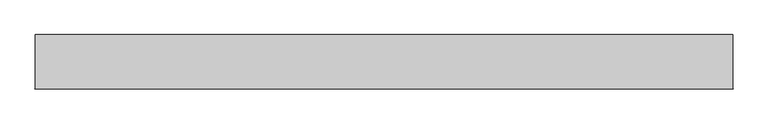
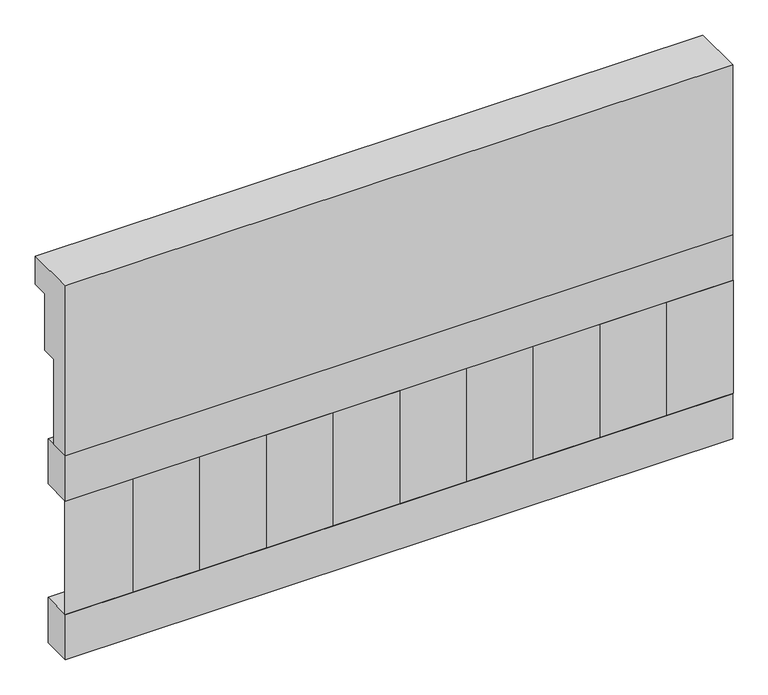
"""IFC4 building model written with IfcOpenShell, lengths in millimetres: railing geometry."""

from ifc_helpers import new_model, si_unit, frame, origin, place, context, project, spatial, polyline, outline, extrude, source, transform, mapped, element, save


def railing_3c50cecf(model_context):
    return source(origin(), model_context, "Body", "SweptSolid", [
        extrude(outline(polyline([(903.1079487, 28400.0), (1033.1079487, 28400.0), (1033.1079487, 28325.0), (993.1079487, 28325.0), (993.1079487, 28175.0), (953.1079487, 28175.0), (953.1079487, 27950.0), (903.1079487, 27950.0), (903.1079487, 28400.0)])), frame((22660.0112841, 0.0, 0.0), z_axis=(1.0, 0.0, 0.0), x_axis=(0.0, 1.0, 0.0)), (0.0, 0.0, 1.0), 1670.0),
        extrude(outline(polyline([(24330.0112841, 978.1079487), (24330.0112841, 903.1079487), (22660.0112841, 903.1079487), (22660.0112841, 978.1079487), (24330.0112841, 978.1079487)])), frame((0.0, 0.0, 27830.0), z_axis=(0.0, 0.0, 1.0), x_axis=(1.0, 0.0, 0.0)), (0.0, 0.0, 1.0), 120.0),
        extrude(outline(polyline([(24330.0112841, 978.1079487), (24330.0112841, 903.1079487), (22660.0112841, 903.1079487), (22660.0112841, 978.1079487), (24330.0112841, 978.1079487)])), frame((0.0, 0.0, 27410.0), z_axis=(0.0, 0.0, 1.0), x_axis=(1.0, 0.0, 0.0)), (0.0, 0.0, 1.0), 120.0),
        extrude(outline(polyline([(22743.5112841, 987.9607624), (22828.3640978, 903.1079487), (22658.6584704, 903.1079487), (22743.5112841, 987.9607624)])), frame((0.0, 0.0, 27530.0), z_axis=(0.0, 0.0, 1.0), x_axis=(1.0, 0.0, 0.0)), (0.0, 0.0, 1.0), 300.0),
        extrude(outline(polyline([(22910.5112841, 987.9607624), (22995.3640978, 903.1079487), (22825.6584704, 903.1079487), (22910.5112841, 987.9607624)])), frame((0.0, 0.0, 27530.0), z_axis=(0.0, 0.0, 1.0), x_axis=(1.0, 0.0, 0.0)), (0.0, 0.0, 1.0), 300.0),
        extrude(outline(polyline([(23077.5112841, 987.9607624), (23162.3640978, 903.1079487), (22992.6584704, 903.1079487), (23077.5112841, 987.9607624)])), frame((0.0, 0.0, 27530.0), z_axis=(0.0, 0.0, 1.0), x_axis=(1.0, 0.0, 0.0)), (0.0, 0.0, 1.0), 300.0),
        extrude(outline(polyline([(23244.5112841, 987.9607624), (23329.3640978, 903.1079487), (23159.6584704, 903.1079487), (23244.5112841, 987.9607624)])), frame((0.0, 0.0, 27530.0), z_axis=(0.0, 0.0, 1.0), x_axis=(1.0, 0.0, 0.0)), (0.0, 0.0, 1.0), 300.0),
        extrude(outline(polyline([(23411.5112841, 987.9607624), (23496.3640978, 903.1079487), (23326.6584704, 903.1079487), (23411.5112841, 987.9607624)])), frame((0.0, 0.0, 27530.0), z_axis=(0.0, 0.0, 1.0), x_axis=(1.0, 0.0, 0.0)), (0.0, 0.0, 1.0), 300.0),
        extrude(outline(polyline([(23578.5112841, 987.9607624), (23663.3640978, 903.1079487), (23493.6584704, 903.1079487), (23578.5112841, 987.9607624)])), frame((0.0, 0.0, 27530.0), z_axis=(0.0, 0.0, 1.0), x_axis=(1.0, 0.0, 0.0)), (0.0, 0.0, 1.0), 300.0),
        extrude(outline(polyline([(23745.5112841, 987.9607624), (23830.3640978, 903.1079487), (23660.6584704, 903.1079487), (23745.5112841, 987.9607624)])), frame((0.0, 0.0, 27530.0), z_axis=(0.0, 0.0, 1.0), x_axis=(1.0, 0.0, 0.0)), (0.0, 0.0, 1.0), 300.0),
        extrude(outline(polyline([(23912.5112841, 987.9607624), (23997.3640978, 903.1079487), (23827.6584704, 903.1079487), (23912.5112841, 987.9607624)])), frame((0.0, 0.0, 27530.0), z_axis=(0.0, 0.0, 1.0), x_axis=(1.0, 0.0, 0.0)), (0.0, 0.0, 1.0), 300.0),
        extrude(outline(polyline([(24079.5112841, 987.9607624), (24164.3640978, 903.1079487), (23994.6584704, 903.1079487), (24079.5112841, 987.9607624)])), frame((0.0, 0.0, 27530.0), z_axis=(0.0, 0.0, 1.0), x_axis=(1.0, 0.0, 0.0)), (0.0, 0.0, 1.0), 300.0),
        extrude(outline(polyline([(24246.5112841, 987.9607624), (24331.3640978, 903.1079487), (24161.6584704, 903.1079487), (24246.5112841, 987.9607624)])), frame((0.0, 0.0, 27530.0), z_axis=(0.0, 0.0, 1.0), x_axis=(1.0, 0.0, 0.0)), (0.0, 0.0, 1.0), 300.0),
    ])


if __name__ == "__main__":
    model = new_model("IFC4")
    model_context = context("Model", 3, world=origin())
    ifc_project = project(units=[si_unit("LENGTHUNIT", "METRE", prefix="MILLI")], contexts=[model_context])
    site = spatial("IfcSite", under=ifc_project)
    building = spatial("IfcBuilding", under=site)
    placement = place(None, origin())
    railing_shape = railing_3c50cecf(model_context)
    element("IfcRailing", 1, at=placement, inside=building, context=model_context, shape_type="MappedRepresentation", body=[
        mapped(railing_shape, transform((0.0, 0.0, 0.0), x_axis=(1.0, 0.0, 0.0), y_axis=(0.0, 1.0, 0.0), z_axis=(0.0, 0.0, 1.0))),
    ])
    save(model, "model.ifc")
